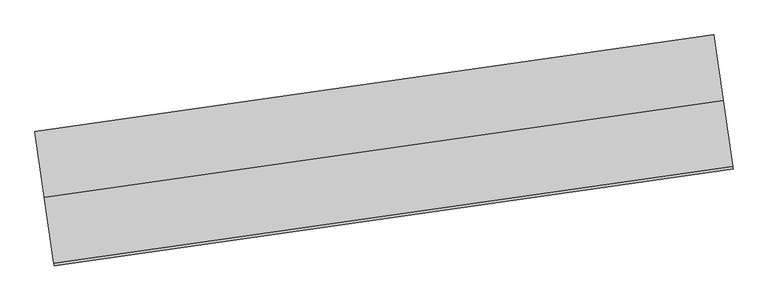
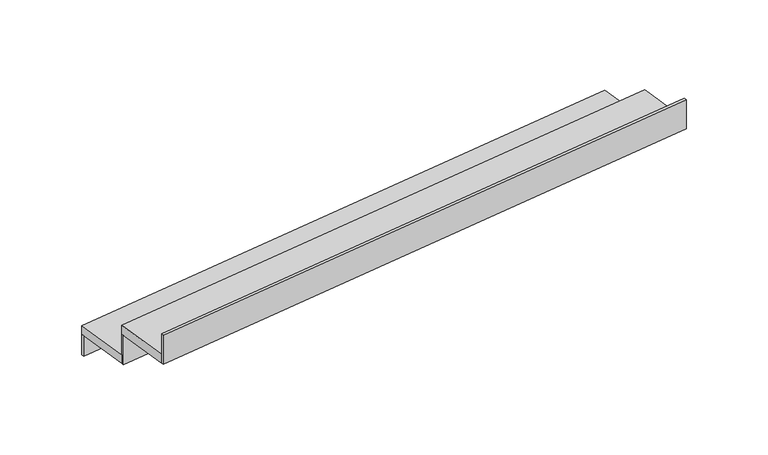
"""IFC4 building model written with IfcOpenShell, lengths in millimetres: stair flight geometry."""

import ifcopenshell
import ifcopenshell.guid

model = None  # the IFC model being written
_history = None  # IfcOwnerHistory: only IFC2X3 demands one
_inside = {}  # id of a spatial element -> (the spatial element, [elements in it])
_under = {}  # id of a project, library or spatial element -> (it, [spatial elements below it])
_declared = {}  # id of a project -> (the project, [libraries it declares])
_typed = {}  # id of a type object -> (the type object, [elements of that type])
_made_of = {}  # id of a material, layer set ... -> (it, [elements and type objects made of it])


def new_model(schema):
    """Start an empty IFC model of exactly this schema.

    Asked for "IFC4X3", IfcOpenShell would pick the latest addendum, in which some entities
    have other attributes; the version numbers below select the first issue.
    IFC2X3 requires an IfcOwnerHistory on every rooted entity: one is made here for all.
    """
    global model, _history
    if schema == "IFC4X3":
        model = ifcopenshell.file(schema_version=(4, 3, 0, 0))
    else:
        model = ifcopenshell.file(schema=schema)
    _inside.clear()
    _under.clear()
    _declared.clear()
    _typed.clear()
    _made_of.clear()
    _history = None
    if model.schema == "IFC2X3":
        org = make("IfcOrganization", Name="unknown")
        user = make(
            "IfcPersonAndOrganization",
            ThePerson=make("IfcPerson", FamilyName="unknown"),
            TheOrganization=org,
        )
        app = make(
            "IfcApplication",
            ApplicationDeveloper=org,
            Version="unknown",
            ApplicationFullName="unknown",
            ApplicationIdentifier="unknown",
        )
        _history = make(
            "IfcOwnerHistory",
            OwningUser=user,
            OwningApplication=app,
            ChangeAction="ADDED",
            CreationDate=0,
        )
    return model


def make(cls, **values):
    """One entity of the class cls with the attributes given. An attribute that is None is left unset."""
    return model.create_entity(
        cls, **{name: value for name, value in values.items() if value is not None}
    )


def rooted(cls, **values):
    """An entity with a GlobalId (a new one), such as an element, a storey or a relation."""
    return make(cls, GlobalId=ifcopenshell.guid.new(), OwnerHistory=_history, **values)


def si_unit(unit_type, name, prefix=None):
    """IfcSIUnit, for example si_unit("LENGTHUNIT", "METRE", prefix="MILLI")."""
    return make("IfcSIUnit", UnitType=unit_type, Prefix=prefix, Name=name)


def assignment(units):
    """IfcUnitAssignment: the units of a project."""
    return None if units is None else make("IfcUnitAssignment", Units=units)


def point(xyz):
    """IfcCartesianPoint."""
    return None if xyz is None else make("IfcCartesianPoint", Coordinates=xyz)


def direction(xyz):
    """IfcDirection."""
    return None if xyz is None else make("IfcDirection", DirectionRatios=xyz)


def frame(location, z_axis=None, x_axis=None):
    """IfcAxis2Placement3D, a coordinate frame: its origin and axes. An axis left out is left unset."""
    return make(
        "IfcAxis2Placement3D",
        Location=point(location),
        Axis=direction(z_axis),
        RefDirection=direction(x_axis),
    )


def origin():
    """The frame at (0, 0, 0) with its axes left unset."""
    return frame((0.0, 0.0, 0.0))


def place(relative_to, where):
    """IfcLocalPlacement: puts the frame where relative to a parent placement (None: the world)."""
    return make(
        "IfcLocalPlacement", PlacementRelTo=relative_to, RelativePlacement=where
    )


def context(
    kind, dimensions, precision=None, world=None, true_north=None, identifier=None
):
    """IfcGeometricRepresentationContext, for example the 3D "Model" context."""
    return make(
        "IfcGeometricRepresentationContext",
        ContextIdentifier=identifier,
        ContextType=kind,
        CoordinateSpaceDimension=dimensions,
        Precision=precision,
        WorldCoordinateSystem=world,
        TrueNorth=true_north,
    )


def project(units=None, contexts=None):
    """IfcProject with its units and contexts."""
    return rooted(
        "IfcProject",
        Name="project",
        RepresentationContexts=contexts,
        UnitsInContext=assignment(units),
    )


def spatial(cls, under=None, at=None, **own):
    """A site, building, storey or space (cls), placed at a placement, below another one or the project."""
    s = rooted(cls, ObjectPlacement=at, **own)
    if under is not None:
        _under.setdefault(under.id(), (under, []))[1].append(s)
    return s


def polyline(points):
    """IfcPolyline through the points."""
    return make("IfcPolyline", Points=[point(p) for p in points])


def outline(outer, holes=None, kind="AREA"):
    """IfcArbitraryClosedProfileDef: a profile drawn as a closed curve; with holes, ...WithVoids."""
    if holes is None:
        return make("IfcArbitraryClosedProfileDef", ProfileType=kind, OuterCurve=outer)
    return make(
        "IfcArbitraryProfileDefWithVoids",
        ProfileType=kind,
        OuterCurve=outer,
        InnerCurves=holes,
    )


def extrude(swept, where, along, depth):
    """IfcExtrudedAreaSolid: the profile swept, set in the frame where, extruded along a direction by depth."""
    return make(
        "IfcExtrudedAreaSolid",
        SweptArea=swept,
        Position=where,
        ExtrudedDirection=direction(along),
        Depth=depth,
    )


def shape(context_of_items, identifier, shape_type, items):
    """IfcShapeRepresentation: the items that make up one representation, for example the "Body"."""
    return make(
        "IfcShapeRepresentation",
        ContextOfItems=context_of_items,
        RepresentationIdentifier=identifier,
        RepresentationType=shape_type,
        Items=items,
    )


def source(mapping_origin, context_of_items, identifier, shape_type, items):
    """IfcRepresentationMap: a shape defined once, which mapped items show again and again."""
    return make(
        "IfcRepresentationMap",
        MappingOrigin=mapping_origin,
        MappedRepresentation=shape(context_of_items, identifier, shape_type, items),
    )


def transform(
    local_origin,
    x_axis=None,
    y_axis=None,
    z_axis=None,
    scale=None,
    scale2=None,
    scale3=None,
    uniform=True,
):
    """IfcCartesianTransformationOperator3D, or its non-uniform kind. x_axis, y_axis, z_axis: its Axis1, 2, 3."""
    if uniform:
        return make(
            "IfcCartesianTransformationOperator3D",
            Axis1=direction(x_axis),
            Axis2=direction(y_axis),
            LocalOrigin=point(local_origin),
            Scale=scale,
            Axis3=direction(z_axis),
        )
    return make(
        "IfcCartesianTransformationOperator3DnonUniform",
        Axis1=direction(x_axis),
        Axis2=direction(y_axis),
        LocalOrigin=point(local_origin),
        Scale=scale,
        Axis3=direction(z_axis),
        Scale2=scale2,
        Scale3=scale3,
    )


def mapped(mapping_source, mapping_target):
    """IfcMappedItem: shows the shape of a source again, moved by a transform."""
    return make(
        "IfcMappedItem", MappingSource=mapping_source, MappingTarget=mapping_target
    )


def made_of(thing, what):
    """Note that an element or type object is made of a material, layer set ...; save() writes the relation."""
    if what is not None:
        _made_of.setdefault(what.id(), (what, []))[1].append(thing)
    return thing


def element(
    cls,
    number,
    at=None,
    inside=None,
    cuts=None,
    type_object=None,
    material=None,
    context=None,
    identifier="Body",
    shape_type=None,
    held_by="IfcProductDefinitionShape",
    body=None,
    shapes=None,
    **own,
):
    """One element of the class cls, such as IfcWall. Its Tag is "e" and its number.

    at: its placement. inside: the storey or other place that contains it. cuts: it is an
    opening in that element (IfcRelVoidsElement). A single representation is given by context,
    identifier, shape_type and body (its items); several are given by shapes. held_by: the class
    of the entity that holds the representations. save() writes the other relations.
    """
    e = rooted(cls, Tag="e%d" % number, ObjectPlacement=at, **own)
    if body is not None:
        shapes = [shape(context, identifier, shape_type, body)]
    if shapes is not None:
        e.Representation = make(held_by, Representations=shapes)
    if inside is not None:
        _inside.setdefault(inside.id(), (inside, []))[1].append(e)
    if cuts is not None:
        rooted(
            "IfcRelVoidsElement", RelatingBuildingElement=cuts, RelatedOpeningElement=e
        )
    if type_object is not None:
        _typed.setdefault(type_object.id(), (type_object, []))[1].append(e)
    return made_of(e, material)


def aggregate(whole, parts):
    """IfcRelAggregates: a whole, such as a stair, and the parts it consists of."""
    return rooted("IfcRelAggregates", RelatingObject=whole, RelatedObjects=parts)


def save(model, path):
    """Write the relations noted so far, then the file.

    IfcRelAggregates (storeys below a building ...), IfcRelContainedInSpatialStructure (elements
    in a storey), IfcRelDefinesByType, IfcRelAssociatesMaterial and IfcRelDeclares: one each for
    every whole, place, type object, material and project.
    """
    for whole, parts in _under.values():
        aggregate(whole, parts)
    for where, things in _inside.values():
        rooted(
            "IfcRelContainedInSpatialStructure",
            RelatedElements=things,
            RelatingStructure=where,
        )
    for kind, things in _typed.values():
        rooted("IfcRelDefinesByType", RelatedObjects=things, RelatingType=kind)
    for what, things in _made_of.values():
        rooted("IfcRelAssociatesMaterial", RelatedObjects=things, RelatingMaterial=what)
    for by, libraries in _declared.values():
        rooted("IfcRelDeclares", RelatingContext=by, RelatedDefinitions=libraries)
    model.write(path)


def stair_flight_aaa5b037(model_context):
    return source(origin(), model_context, "Body", "SweptSolid", [
        extrude(outline(polyline([(-23803.9198564, 45835.3346789), (-23805.6878835, 45847.7090104), (-20744.3906143, 46285.1028639), (-20742.6225872, 46272.7285324), (-23803.9198564, 45835.3346789)])), frame((0.0, 0.0, 3000.0), z_axis=(0.0, 0.0, 1.0), x_axis=(1.0, 0.0, 0.0)), (0.0, 0.0, 1.0), 116.6666667),
        extrude(outline(polyline([(-20701.9579638, 45988.1189078), (-23763.255233, 45550.7250543), (-23805.6878835, 45847.7090104), (-20744.3906143, 46285.1028639), (-20701.9579638, 45988.1189078)])), frame((0.0, 0.0, 3116.6666667), z_axis=(0.0, 0.0, 1.0), x_axis=(1.0, 0.0, 0.0)), (0.0, 0.0, 1.0), 50.0),
        extrude(outline(polyline([(-23761.4872059, 45538.3507228), (-23763.255233, 45550.7250543), (-20701.9579638, 45988.1189078), (-20700.1899367, 45975.7445763), (-23761.4872059, 45538.3507228)])), frame((0.0, 0.0, 3116.6666667), z_axis=(0.0, 0.0, 1.0), x_axis=(1.0, 0.0, 0.0)), (0.0, 0.0, 1.0), 166.6666667),
        extrude(outline(polyline([(-23719.0545555, 45241.3667667), (-23720.8225826, 45253.7410982), (-20659.5253133, 45691.1349517), (-20657.7572862, 45678.7606202), (-23719.0545555, 45241.3667667)])), frame((0.0, 0.0, 3283.3333333), z_axis=(0.0, 0.0, 1.0), x_axis=(1.0, 0.0, 0.0)), (0.0, 0.0, 1.0), 166.6666667),
        extrude(outline(polyline([(-20659.5253133, 45691.1349517), (-23720.8225826, 45253.7410982), (-23763.255233, 45550.7250543), (-20701.9579638, 45988.1189078), (-20659.5253133, 45691.1349517)])), frame((0.0, 0.0, 3283.3333333), z_axis=(0.0, 0.0, 1.0), x_axis=(1.0, 0.0, 0.0)), (0.0, 0.0, 1.0), 50.0),
    ])


if __name__ == "__main__":
    model = new_model("IFC4")
    model_context = context("Model", 3, world=origin())
    ifc_project = project(units=[si_unit("LENGTHUNIT", "METRE", prefix="MILLI")], contexts=[model_context])
    site = spatial("IfcSite", under=ifc_project)
    building = spatial("IfcBuilding", under=site)
    placement = place(None, origin())
    stair_flight_shape = stair_flight_aaa5b037(model_context)
    element("IfcStairFlight", 1, at=placement, inside=building, context=model_context, shape_type="MappedRepresentation", body=[
        mapped(stair_flight_shape, transform((0.0, 0.0, 0.0), x_axis=(1.0, 0.0, 0.0), y_axis=(0.0, 1.0, 0.0), z_axis=(0.0, 0.0, 1.0))),
    ])
    save(model, "model.ifc")
